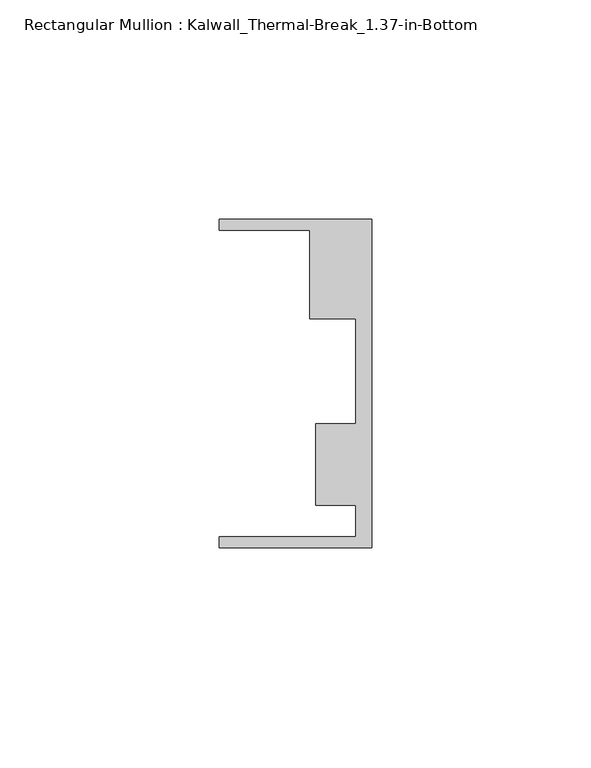
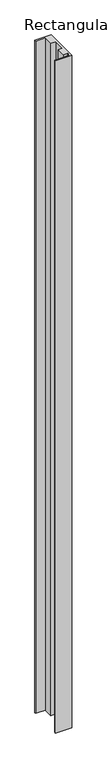
"""IFC4 building model written with IfcOpenShell, lengths in millimetres: member geometry, Rectangular Mullion : Kalwall_Thermal-Break_1.37-in-Bottom."""

from ifc_helpers import new_model, si_unit, frame, origin, place, context, project, spatial, polyline, outline, extrude, source, transform, mapped, element, save


def rectangular_mullion_kalwall_thermal_break_1_37_in_bottom_ed933aba(model_context):
    return source(origin(), model_context, "Body", "SweptSolid", [
        extrude(outline(polyline([(0.0, -37.5776386), (-34.925, -37.5776386), (-34.925, -35.0376386), (-3.7084, -35.0376386), (-3.7084, -27.8888568), (-12.8272539, -27.8888568), (-12.8272539, -9.1879886), (-3.7084, -9.1879886), (-3.7084, 14.7812677), (-14.1882812, 14.7812677), (-14.1882812, 34.9623614), (-34.925, 34.9623614), (-34.925, 37.5023614), (0.0, 37.5023614), (0.0, -37.5776386)])), frame((0.0, 0.0, -1502.8129997), z_axis=(0.0, 0.0, 1.0), x_axis=(1.0, 0.0, 0.0)), (0.0, 0.0, 1.0), 1502.8129997),
    ])


if __name__ == "__main__":
    model = new_model("IFC4")
    model_context = context("Model", 3, world=origin())
    ifc_project = project(units=[si_unit("LENGTHUNIT", "METRE", prefix="MILLI")], contexts=[model_context])
    site = spatial("IfcSite", under=ifc_project)
    building = spatial("IfcBuilding", under=site)
    placement = place(None, origin())
    rectangular_mullion_kalwall_thermal_break_1_37_in_bottom_shape = rectangular_mullion_kalwall_thermal_break_1_37_in_bottom_ed933aba(model_context)
    element("IfcMember", 1, ObjectType="Rectangular Mullion : Kalwall_Thermal-Break_1.37-in-Bottom", at=placement, inside=building, context=model_context, shape_type="MappedRepresentation", body=[
        mapped(rectangular_mullion_kalwall_thermal_break_1_37_in_bottom_shape, transform((0.0, 0.0, 0.0), x_axis=(1.0, 0.0, 0.0), y_axis=(0.0, 1.0, 0.0), z_axis=(0.0, 0.0, 1.0))),
    ])
    save(model, "model.ifc")
